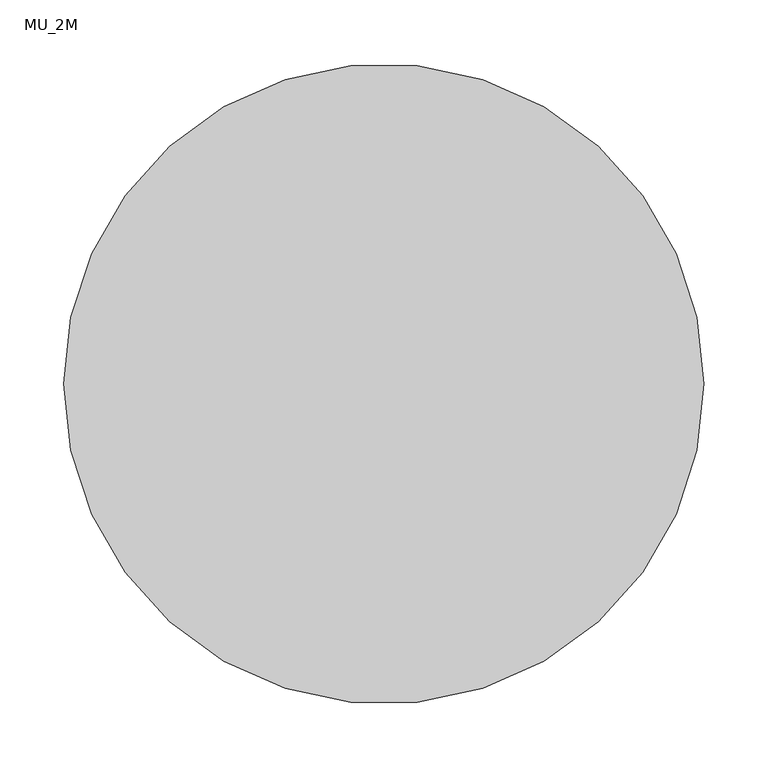
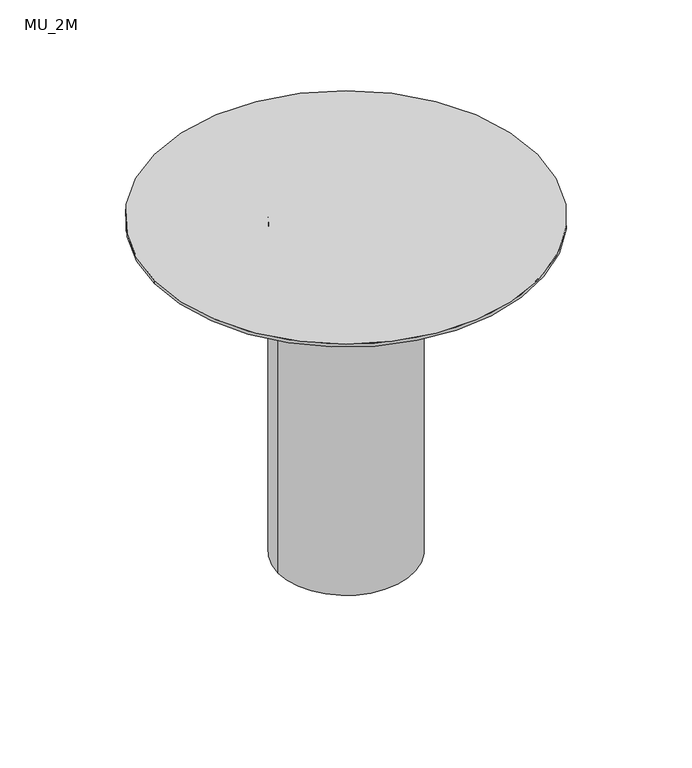
"""IFC4 building model written with IfcOpenShell, lengths in millimetres: furniture geometry, MU_2M."""

from ifc_helpers import new_model, si_unit, point, frame, frame_2d, origin, origin_with_axes, place, context, project, spatial, circle_curve, trimmed, segment, composite_curve, outline, extrude, source, transform, mapped, element, save


def mu_2m_718a33fc(model_context):
    return source(origin(), model_context, "Body", "SweptSolid", [
        extrude(outline(composite_curve([segment(trimmed(circle_curve(frame_2d((-5.9771858, 31.75)), 88.5), [point((-94.4771858, 31.75))], [point((82.5228142, 31.75))], False, "CARTESIAN"), True, "CONTINUOUS"), segment(trimmed(circle_curve(frame_2d((-5.9771858, 31.75)), 88.5), [point((82.5228142, 31.75))], [point((-94.4771858, 31.75))], False, "CARTESIAN"), True, "CONTINUOUS")], self_intersect=False)), origin_with_axes(), (0.0, 0.0, 1.0), 456.0),
        extrude(outline(composite_curve([segment(trimmed(circle_curve(frame_2d((-5.9771858, 31.75)), 250.0), [point((-255.9771858, 31.75))], [point((244.0228142, 31.75))], False, "CARTESIAN"), True, "CONTINUOUS"), segment(trimmed(circle_curve(frame_2d((-5.9771858, 31.75)), 250.0), [point((244.0228142, 31.75))], [point((-255.9771858, 31.75))], False, "CARTESIAN"), True, "CONTINUOUS")], self_intersect=False)), frame((0.0, 0.0, 456.0), z_axis=(0.0, 0.0, 1.0), x_axis=(1.0, 0.0, 0.0)), (0.0, 0.0, 1.0), 4.0),
    ])


if __name__ == "__main__":
    model = new_model("IFC4")
    model_context = context("Model", 3, world=origin())
    ifc_project = project(units=[si_unit("LENGTHUNIT", "METRE", prefix="MILLI")], contexts=[model_context])
    site = spatial("IfcSite", under=ifc_project)
    building = spatial("IfcBuilding", under=site)
    placement = place(None, origin())
    mu_2m_shape = mu_2m_718a33fc(model_context)
    element("IfcFurniture", 1, ObjectType="MU_2M", at=placement, inside=building, context=model_context, shape_type="MappedRepresentation", body=[
        mapped(mu_2m_shape, transform((0.0, 0.0, 0.0), x_axis=(1.0, 0.0, 0.0), y_axis=(0.0, 1.0, 0.0), z_axis=(0.0, 0.0, 1.0))),
    ])
    save(model, "model.ifc")
